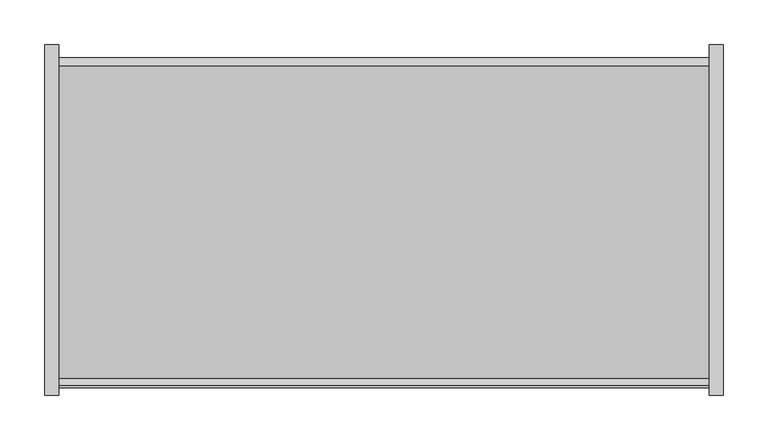
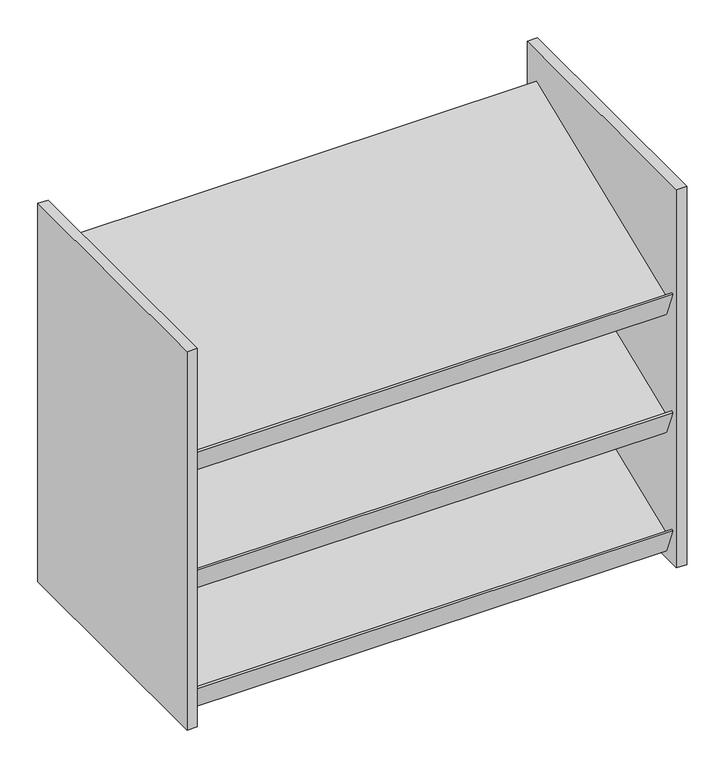
"""IFC4 building model written with IfcOpenShell, lengths in millimetres: furniture geometry."""

from ifc_helpers import new_model, si_unit, frame, origin, place, context, project, spatial, polyline, outline, extrude, source, transform, mapped, element, save


def furniture_3c3e6580(model_context):
    return source(origin(), model_context, "Body", "SweptSolid", [
        extrude(outline(polyline([(-180.975, 1816.1), (-197.8336902, 1857.8267226), (-194.8898815, 1859.0160985), (-187.5461987, 1840.8398458), (162.7670411, 1982.375582), (172.2820486, 1958.8251121), (-180.975, 1816.1)])), frame((-365.125, 0.0, 0.0), z_axis=(1.0, 0.0, 0.0), x_axis=(0.0, 1.0, 0.0)), (0.0, 0.0, 1.0), 730.25),
        extrude(outline(polyline([(-180.975, 1625.6), (-197.8336902, 1667.3267226), (-194.8898815, 1668.5160985), (-187.5461987, 1650.3398458), (162.7670411, 1791.875582), (172.2820486, 1768.3251121), (-180.975, 1625.6)])), frame((-365.125, 0.0, 0.0), z_axis=(1.0, 0.0, 0.0), x_axis=(0.0, 1.0, 0.0)), (0.0, 0.0, 1.0), 730.25),
        extrude(outline(polyline([(-180.975, 1435.1), (-197.8336902, 1476.8267226), (-194.8898815, 1478.0160985), (-187.5461987, 1459.8398458), (162.7670411, 1601.375582), (172.2820486, 1577.8251121), (-180.975, 1435.1)])), frame((-365.125, 0.0, 0.0), z_axis=(1.0, 0.0, 0.0), x_axis=(0.0, 1.0, 0.0)), (0.0, 0.0, 1.0), 730.25),
        extrude(outline(polyline([(-365.125, 187.325), (-365.125, -206.375), (-381.0, -206.375), (-381.0, 187.325), (-365.125, 187.325)])), frame((0.0, 0.0, 1422.4), z_axis=(0.0, 0.0, 1.0), x_axis=(1.0, 0.0, 0.0)), (0.0, 0.0, 1.0), 609.6),
        extrude(outline(polyline([(381.0, 187.325), (381.0, -206.375), (365.125, -206.375), (365.125, 187.325), (381.0, 187.325)])), frame((0.0, 0.0, 1422.4), z_axis=(0.0, 0.0, 1.0), x_axis=(1.0, 0.0, 0.0)), (0.0, 0.0, 1.0), 609.6),
    ])


if __name__ == "__main__":
    model = new_model("IFC4")
    model_context = context("Model", 3, world=origin())
    ifc_project = project(units=[si_unit("LENGTHUNIT", "METRE", prefix="MILLI")], contexts=[model_context])
    site = spatial("IfcSite", under=ifc_project)
    building = spatial("IfcBuilding", under=site)
    placement = place(None, origin())
    furniture_shape = furniture_3c3e6580(model_context)
    element("IfcFurniture", 1, at=placement, inside=building, context=model_context, shape_type="MappedRepresentation", body=[
        mapped(furniture_shape, transform((0.0, 0.0, 0.0), x_axis=(1.0, 0.0, 0.0), y_axis=(0.0, 1.0, 0.0), z_axis=(0.0, 0.0, 1.0))),
    ])
    save(model, "model.ifc")
